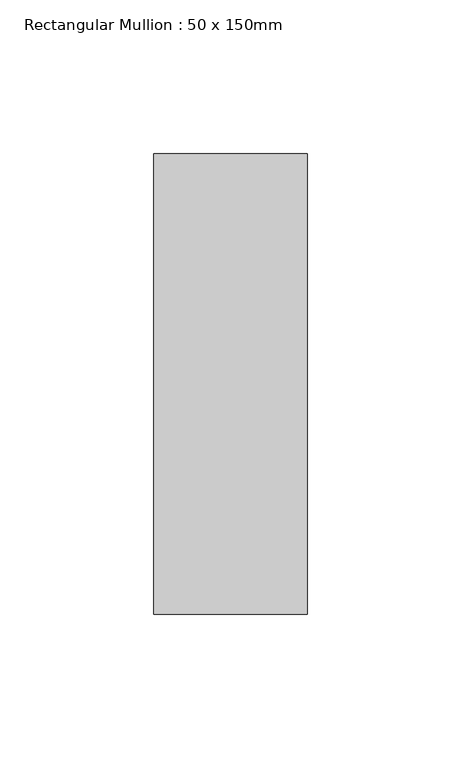
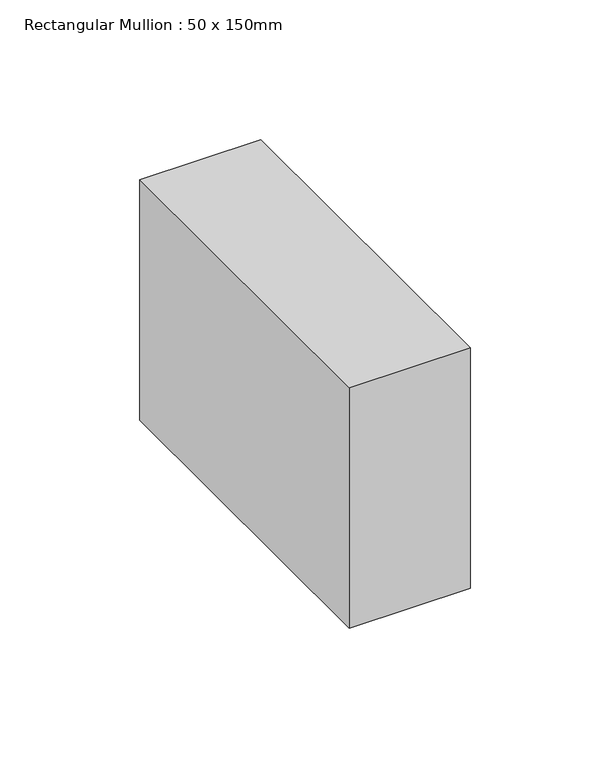
"""IFC4 building model written with IfcOpenShell, lengths in millimetres: member geometry, Rectangular Mullion : 50 x 150mm."""

from ifc_helpers import new_model, si_unit, frame, origin, place, context, project, spatial, polyline, outline, extrude, source, transform, mapped, element, save


def rectangular_mullion_50_x_150mm_a4c101be(model_context):
    return source(origin(), model_context, "Body", "SweptSolid", [
        extrude(outline(polyline([(25.0, 75.0), (25.0, -75.0), (-25.0, -75.0), (-25.0, 75.0), (25.0, 75.0)])), frame((0.0, 0.0, -105.0), z_axis=(0.0, 0.0, 1.0), x_axis=(1.0, 0.0, 0.0)), (0.0, 0.0, 1.0), 105.0),
    ])


if __name__ == "__main__":
    model = new_model("IFC4")
    model_context = context("Model", 3, world=origin())
    ifc_project = project(units=[si_unit("LENGTHUNIT", "METRE", prefix="MILLI")], contexts=[model_context])
    site = spatial("IfcSite", under=ifc_project)
    building = spatial("IfcBuilding", under=site)
    placement = place(None, origin())
    rectangular_mullion_50_x_150mm_shape = rectangular_mullion_50_x_150mm_a4c101be(model_context)
    element("IfcMember", 1, ObjectType="Rectangular Mullion : 50 x 150mm", at=placement, inside=building, context=model_context, shape_type="MappedRepresentation", body=[
        mapped(rectangular_mullion_50_x_150mm_shape, transform((0.0, 0.0, 0.0), x_axis=(1.0, 0.0, 0.0), y_axis=(0.0, 1.0, 0.0), z_axis=(0.0, 0.0, 1.0))),
    ])
    save(model, "model.ifc")
